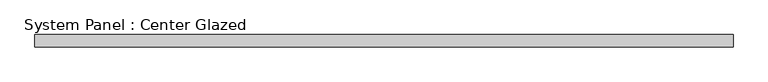
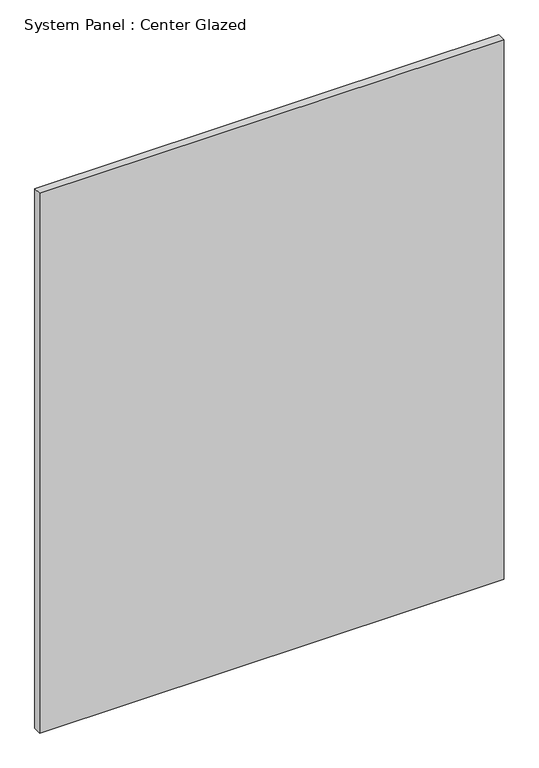
"""IFC4 building model written with IfcOpenShell, lengths in millimetres: plate geometry, System Panel : Center Glazed."""

from ifc_helpers import new_model, si_unit, origin, origin_with_axes, place, context, project, spatial, polyline, outline, extrude, source, transform, mapped, element, save


def system_panel_center_glazed_0b76bd6e(model_context):
    return source(origin(), model_context, "Body", "SweptSolid", [
        extrude(outline(polyline([(723.9, -12.7), (-723.9, -12.7), (-723.9, 12.7), (723.9, 12.7), (723.9, -12.7)])), origin_with_axes(), (0.0, 0.0, 1.0), 1778.0),
    ])


if __name__ == "__main__":
    model = new_model("IFC4")
    model_context = context("Model", 3, world=origin())
    ifc_project = project(units=[si_unit("LENGTHUNIT", "METRE", prefix="MILLI")], contexts=[model_context])
    site = spatial("IfcSite", under=ifc_project)
    building = spatial("IfcBuilding", under=site)
    placement = place(None, origin())
    system_panel_center_glazed_shape = system_panel_center_glazed_0b76bd6e(model_context)
    element("IfcPlate", 1, ObjectType="System Panel : Center Glazed", at=placement, inside=building, context=model_context, shape_type="MappedRepresentation", body=[
        mapped(system_panel_center_glazed_shape, transform((0.0, 0.0, 0.0), x_axis=(1.0, 0.0, 0.0), y_axis=(0.0, 1.0, 0.0), z_axis=(0.0, 0.0, 1.0))),
    ])
    save(model, "model.ifc")
